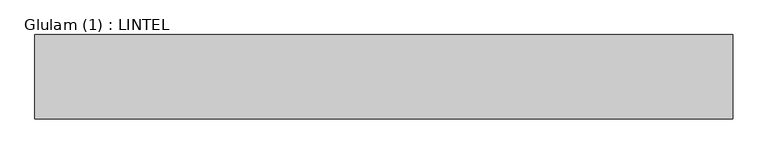
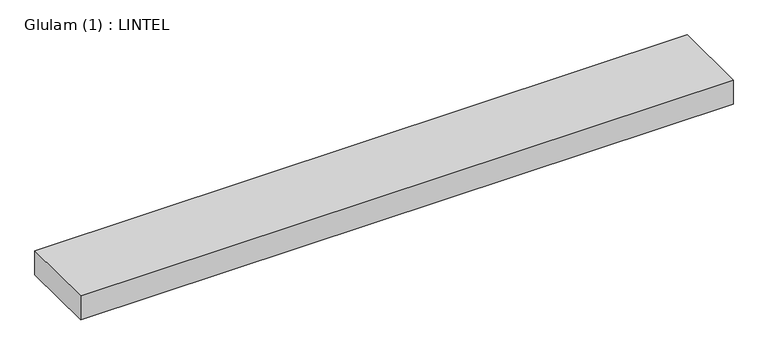
"""IFC4 building model written with IfcOpenShell, lengths in millimetres: beam geometry, Glulam (1) : LINTEL."""

from ifc_helpers import new_model, si_unit, frame, origin, place, context, project, spatial, polyline, outline, extrude, source, transform, mapped, element, save


def glulam_1_lintel_5b7f3c72(model_context):
    return source(origin(), model_context, "Body", "SweptSolid", [
        extrude(outline(polyline([(576.5, 70.0), (576.5, -70.0), (-579.5, -70.0), (-579.5, 70.0), (576.5, 70.0)])), frame((0.0, 0.0, -22.5), z_axis=(0.0, 0.0, 1.0), x_axis=(1.0, 0.0, 0.0)), (0.0, 0.0, 1.0), 45.0),
    ])


if __name__ == "__main__":
    model = new_model("IFC4")
    model_context = context("Model", 3, world=origin())
    ifc_project = project(units=[si_unit("LENGTHUNIT", "METRE", prefix="MILLI")], contexts=[model_context])
    site = spatial("IfcSite", under=ifc_project)
    building = spatial("IfcBuilding", under=site)
    placement = place(None, origin())
    glulam_1_lintel_shape = glulam_1_lintel_5b7f3c72(model_context)
    element("IfcBeam", 1, ObjectType="Glulam (1) : LINTEL", at=placement, inside=building, context=model_context, shape_type="MappedRepresentation", body=[
        mapped(glulam_1_lintel_shape, transform((0.0, 0.0, 0.0), x_axis=(1.0, 0.0, 0.0), y_axis=(0.0, 1.0, 0.0), z_axis=(0.0, 0.0, 1.0))),
    ])
    save(model, "model.ifc")
